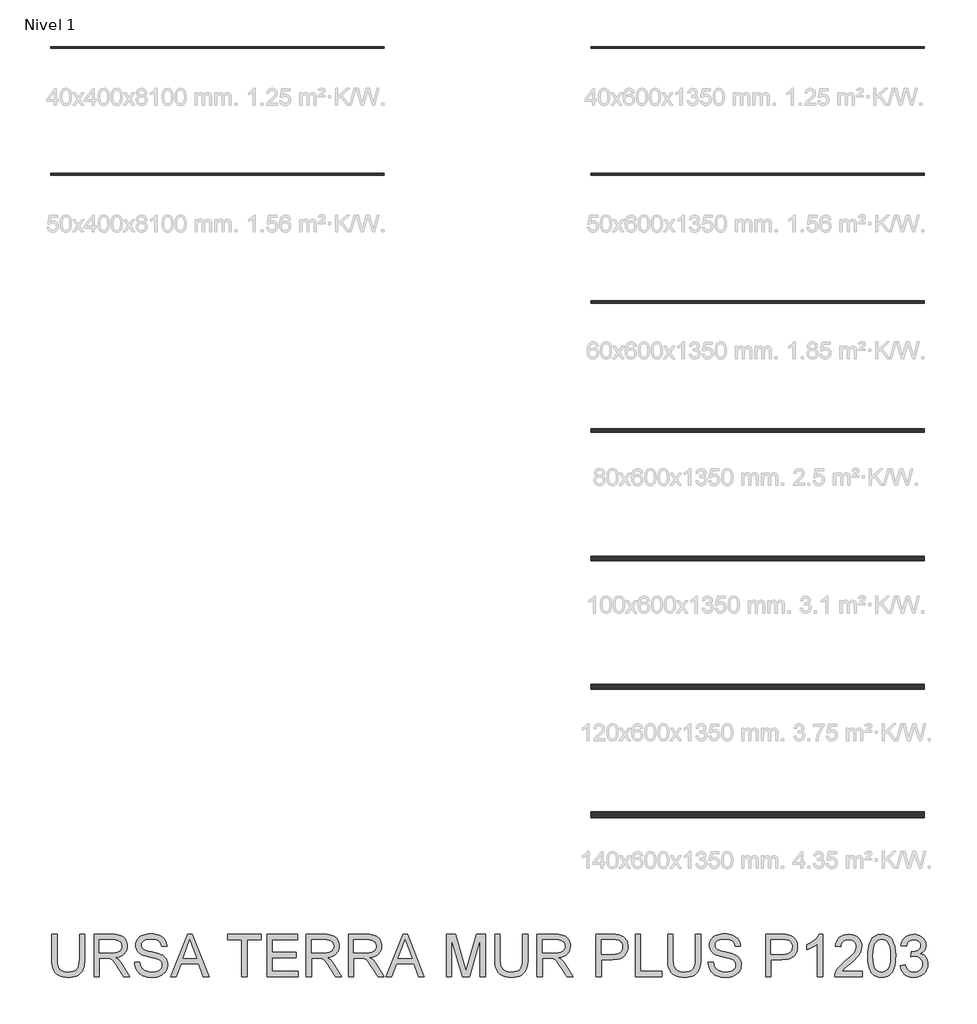
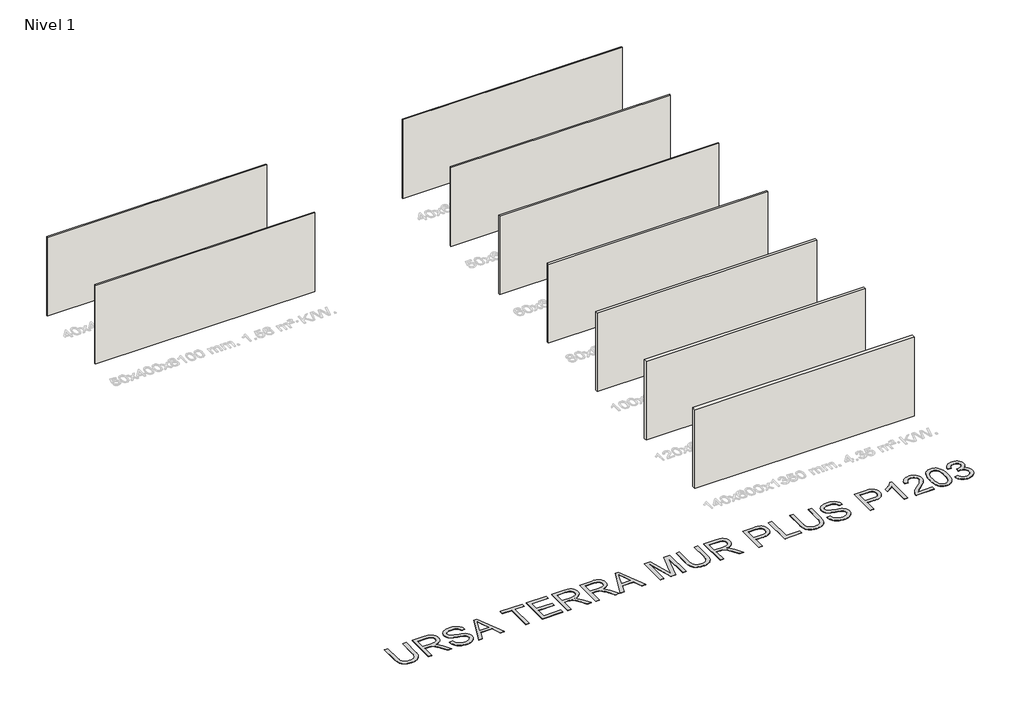
# One storey, part 1 of 10: 9 walls, 1 proxy.
"""IFC4 building model written with IfcOpenShell, lengths in millimetres."""

from ifc_helpers import new_model, si_unit, origin, origin_with_axes, place, context, project, spatial, polyline, outline, extrude, element, save

model = new_model("IFC4")

# Units and contexts
model_context = context("Model", 3, world=origin())
ifc_project = project(units=[si_unit("LENGTHUNIT", "METRE", prefix="MILLI")], contexts=[model_context])

# Site, building, storey
site = spatial("IfcSite", under=ifc_project)
building = spatial("IfcBuilding", under=site)
storey = spatial("IfcBuildingStorey", under=building, Name="Nivel 1", Elevation=0.0)

# Proxy
placement = place(None, origin())
element("IfcBuildingElementProxy", 1, Name="Texto de modelo 2", ObjectType="Texto de modelo 2", at=placement, inside=storey, context=model_context, shape_type="SweptSolid", body=[
    extrude(outline(polyline([(-12347.2277059, -17027.1799365), (-12221.6573182, -17027.1799365), (-12221.6573182, -17606.7167062), (-12223.7879681, -17678.4766879), (-12230.1799178, -17742.4345056), (-12240.8331672, -17798.5901593), (-12255.7477164, -17846.943649), (-12276.2111524, -17889.3267206), (-12303.5110622, -17927.5711196), (-12337.6474456, -17961.6768463), (-12378.6203028, -17991.6439005), (-12426.475619, -18016.0544037), (-12481.2593795, -18033.4904774), (-12542.9715842, -18043.9521217), (-12611.6122331, -18047.4393364), (-12678.559092, -18044.40431), (-12739.1140013, -18035.2992306), (-12793.2769609, -18020.1240983), (-12841.0479708, -17998.878913), (-12882.4346952, -17971.8779074), (-12917.4447984, -17939.435314), (-12946.0782804, -17901.5511327), (-12968.3351411, -17858.2253636), (-12985.0201224, -17807.9711502), (-12996.9379662, -17749.3016362), (-13004.0886725, -17682.2168215), (-13006.4722413, -17606.7167062), (-13006.4722413, -17027.1799365), (-12880.9018536, -17027.1799365), (-12880.9018536, -17602.3021222), (-12879.3536835, -17663.0103157), (-12874.7091733, -17715.1499243), (-12866.968323, -17758.7209481), (-12856.1311326, -17793.7233871), (-12841.5231517, -17822.68643), (-12822.46993, -17848.1392655), (-12798.9714676, -17870.0818937), (-12771.0277644, -17888.5143145), (-12739.1753149, -17903.106967), (-12703.9506139, -17913.5302902), (-12665.3536612, -17919.7842841), (-12623.384457, -17921.8689487), (-12554.1766566, -17917.7456047), (-12495.668091, -17905.3755726), (-12447.85876, -17884.7588525), (-12427.9663075, -17871.3579844), (-12410.7486637, -17855.8954443), (-12395.8609393, -17837.5013445), (-12382.9582447, -17815.3057975), (-12363.1079454, -17759.5103615), (-12351.1977658, -17688.5091365), (-12347.2277059, -17602.3021222), (-12347.2277059, -17027.1799365)])), origin_with_axes(), (0.0, 0.0, 1.0), 10.0),
    extrude(outline(polyline([(-12001.9091398, -18031.743038), (-12001.9091398, -17027.1799365), (-11569.0346588, -17027.1799365), (-11506.9009226, -17028.8737265), (-11452.6919778, -17033.9550965), (-11406.4078243, -17042.4240466), (-11368.0484621, -17054.2805768), (-11335.3836066, -17070.4367277), (-11306.1829732, -17091.8045403), (-11280.446562, -17118.3840144), (-11258.1743729, -17150.1751502), (-11240.2018046, -17185.4688291), (-11227.3642558, -17222.5559327), (-11219.6617265, -17261.4364611), (-11217.0942167, -17302.1104142), (-11221.3478523, -17353.705864), (-11234.108759, -17401.0706709), (-11255.3769369, -17444.2048348), (-11285.1523858, -17483.1083558), (-11323.8183164, -17516.5396321), (-11371.7579389, -17543.257062), (-11428.9712533, -17563.2606455), (-11495.4582597, -17576.5503826), (-11454.0715353, -17603.5897092), (-11424.0891527, -17630.2611539), (-11372.646987, -17691.2682514), (-11322.3084674, -17759.5103615), (-11154.7995322, -18031.743038), (-11300.726057, -18031.743038), (-11431.4467926, -17823.5218287), (-11483.7473496, -17744.0593177), (-11525.869838, -17685.6887078), (-11560.9719117, -17645.4975998), (-11592.2112245, -17620.5735947), (-11621.7950683, -17605.9502854), (-11651.930735, -17596.661265), (-11724.7713701, -17592.246681), (-11876.3387521, -17592.246681), (-11876.3387521, -18031.743038), (-12001.9091398, -18031.743038)]), holes=[polyline([(-11876.3387521, -17466.6762934), (-11595.2769078, -17466.6762934), (-11514.5574667, -17462.2310526), (-11451.925557, -17448.8953303), (-11426.7409687, -17438.6712765), (-11404.7753479, -17425.7800782), (-11386.0286946, -17410.2217355), (-11370.5010087, -17391.9962483), (-11358.3225818, -17372.0003291), (-11349.6237055, -17351.13069), (-11344.4043797, -17329.3873313), (-11342.6646044, -17306.7702528), (-11345.9832066, -17274.6572203), (-11355.9390131, -17245.5179006), (-11372.5320239, -17219.3522937), (-11395.7622391, -17196.1603996), (-11426.1661531, -17177.1684916), (-11464.2802607, -17163.602843), (-11510.1045617, -17155.4634539), (-11563.6390562, -17152.7503241), (-11876.3387521, -17152.7503241), (-11876.3387521, -17466.6762934)])]), origin_with_axes(), (0.0, 0.0, 1.0), 10.0),
    extrude(outline(polyline([(-11044.4349337, -17686.4244718), (-10918.864546, -17686.4244718), (-10913.1163898, -17722.9750809), (-10904.4558345, -17756.1074531), (-10892.8828801, -17785.8215884), (-10878.3975265, -17812.1174868), (-10860.2640098, -17835.5239788), (-10837.746566, -17856.5698946), (-10810.8451951, -17875.2552343), (-10779.5598971, -17891.5799978), (-10745.0403033, -17904.8314138), (-10708.4360447, -17914.296711), (-10669.7471216, -17919.9758893), (-10628.9735338, -17921.8689487), (-10559.014641, -17916.136121), (-10527.3001474, -17908.9700863), (-10497.7622888, -17898.9376377), (-10471.1291652, -17886.398993), (-10448.1288763, -17871.71437), (-10428.7614221, -17854.8837688), (-10413.0268026, -17835.9071892), (-10400.8483757, -17815.6047016), (-10392.1494994, -17794.7963762), (-10386.9301736, -17773.4822131), (-10385.1903983, -17751.6622123), (-10390.4020599, -17709.6316943), (-10406.0370447, -17673.3033473), (-10419.188826, -17657.1855174), (-10437.7975236, -17642.3092892), (-10461.8631375, -17628.6746628), (-10491.3856676, -17616.2816381), (-10557.6963972, -17596.5692945), (-10674.2230192, -17568.3343514), (-10794.2445201, -17536.6045293), (-10838.0454702, -17521.3144339), (-10871.0398866, -17506.4075488), (-10904.5707976, -17486.4039654), (-10933.5491689, -17464.1624331), (-10957.9750006, -17439.682952), (-10977.8482925, -17412.9655221), (-10993.2456869, -17384.2860549), (-11004.2438257, -17353.9204618), (-11010.842709, -17321.868743), (-11013.0423367, -17288.1308984), (-11010.3215428, -17250.7372264), (-11002.159161, -17214.5851562), (-10988.5551914, -17179.6746877), (-10969.509634, -17146.0058209), (-10945.2370865, -17114.9504491), (-10915.9521468, -17087.8804657), (-10881.654815, -17064.7958705), (-10842.345091, -17045.6966635), (-10799.3488828, -17030.7284649), (-10753.9920985, -17020.0368944), (-10706.274738, -17013.6219521), (-10656.1968014, -17011.483638), (-10601.5663251, -17013.7215868), (-10550.2467868, -17020.4354332), (-10502.2381864, -17031.6251772), (-10457.540524, -17047.2908189), (-10416.9815341, -17067.2944023), (-10381.388951, -17091.4979719), (-10350.7627749, -17119.9015277), (-10325.1030058, -17152.5050695), (-10304.6089129, -17188.3582356), (-10289.4797659, -17226.5106642), (-10279.7155646, -17266.9623552), (-10275.3163091, -17309.7133088), (-10400.8866968, -17309.7133088), (-10409.286669, -17269.6448281), (-10423.9406351, -17234.7880091), (-10444.8485952, -17205.1428516), (-10472.0105492, -17180.7093558), (-10505.9323348, -17161.6101489), (-10547.1197898, -17147.9678582), (-10595.5729143, -17139.7824838), (-10651.2917081, -17137.0540257), (-10708.7885983, -17139.751827), (-10757.9161731, -17147.8452309), (-10798.6744325, -17161.3342374), (-10831.0633765, -17180.2188464), (-10855.742127, -17202.9202312), (-10873.3698059, -17227.8595648), (-10883.9464133, -17255.0368472), (-10887.4719491, -17284.4520784), (-10884.9734172, -17309.759294), (-10877.4778215, -17332.7059334), (-10864.9851621, -17353.2919968), (-10847.4954389, -17371.5174839), (-10819.9656029, -17388.7772809), (-10776.6168412, -17406.2210188), (-10717.4491536, -17423.8486978), (-10642.4625403, -17441.6603177), (-10504.0162827, -17475.3215202), (-10455.3025752, -17490.5426378), (-10420.2618152, -17504.6907662), (-10381.7644972, -17526.1352208), (-10348.6781103, -17550.2468199), (-10321.0026544, -17577.0255635), (-10298.7381294, -17606.4714515), (-10281.6239525, -17638.4311999), (-10269.3995403, -17672.7515243), (-10262.064893, -17709.4324249), (-10259.6200106, -17748.4739017), (-10262.432775, -17787.7529689), (-10270.8710683, -17825.8824048), (-10284.9348904, -17862.8622095), (-10304.6242414, -17898.692383), (-10329.5942318, -17931.9857036), (-10359.4999723, -17961.3549495), (-10394.3414629, -17986.8001209), (-10434.1187037, -18008.3212176), (-10477.674399, -18025.4353946), (-10523.8512537, -18037.6598067), (-10572.6492675, -18044.994454), (-10624.0684405, -18047.4393364), (-10688.3021697, -18044.8028488), (-10747.0943111, -18036.8933859), (-10800.4448646, -18023.7109477), (-10848.3538302, -18005.2555343), (-10891.112448, -17981.4964888), (-10929.0119577, -17952.4031543), (-10962.0523594, -17917.9755309), (-10990.233653, -17878.2136186), (-11012.9350378, -17834.4050044), (-11029.5357129, -17787.8372751), (-11040.0356781, -17738.510431), (-11044.4349337, -17686.4244718)])), origin_with_axes(), (0.0, 0.0, 1.0), 10.0),
    extrude(outline(polyline([(-10188.2509036, -18031.743038), (-9787.2595288, -17027.1799365), (-9680.3284955, -17027.1799365), (-9279.3371208, -18031.743038), (-9412.0198937, -18031.743038), (-9527.0443309, -17717.8170687), (-9940.7889481, -17717.8170687), (-10055.5681306, -18031.743038), (-10188.2509036, -18031.743038)]), holes=[polyline([(-9894.6810714, -17592.246681), (-9572.906953, -17592.246681), (-9663.4059238, -17345.275235), (-9733.7940122, -17152.7503241), (-9796.3339514, -17323.6928246), (-9894.6810714, -17592.246681)])]), origin_with_axes(), (0.0, 0.0, 1.0), 10.0),
    extrude(outline(polyline([(-8501.634583, -18031.743038), (-8501.634583, -17152.7503241), (-8831.2568507, -17152.7503241), (-8831.2568507, -17027.1799365), (-8046.4419276, -17027.1799365), (-8046.4419276, -17152.7503241), (-8376.0641953, -17152.7503241), (-8376.0641953, -18031.743038), (-8501.634583, -18031.743038)])), origin_with_axes(), (0.0, 0.0, 1.0), 10.0),
    extrude(outline(polyline([(-7905.1752415, -18031.743038), (-7905.1752415, -17027.1799365), (-7183.1455123, -17027.1799365), (-7183.1455123, -17152.7503241), (-7779.6048538, -17152.7503241), (-7779.6048538, -17450.9799949), (-7214.5381092, -17450.9799949), (-7214.5381092, -17576.5503826), (-7779.6048538, -17576.5503826), (-7779.6048538, -17906.1726503), (-7167.4492138, -17906.1726503), (-7167.4492138, -18031.743038), (-7905.1752415, -18031.743038)])), origin_with_axes(), (0.0, 0.0, 1.0), 10.0),
    extrude(outline(polyline([(-6979.0936323, -18031.743038), (-6979.0936323, -17027.1799365), (-6546.2191513, -17027.1799365), (-6484.0854152, -17028.8737265), (-6429.8764703, -17033.9550965), (-6383.5923168, -17042.4240466), (-6345.2329546, -17054.2805768), (-6312.5680991, -17070.4367277), (-6283.3674657, -17091.8045403), (-6257.6310545, -17118.3840144), (-6235.3588654, -17150.1751502), (-6217.3862971, -17185.4688291), (-6204.5487483, -17222.5559327), (-6196.846219, -17261.4364611), (-6194.2787092, -17302.1104142), (-6198.5323448, -17353.705864), (-6211.2932515, -17401.0706709), (-6232.5614294, -17444.2048348), (-6262.3368784, -17483.1083558), (-6301.0028089, -17516.5396321), (-6348.9424314, -17543.257062), (-6406.1557458, -17563.2606455), (-6472.6427523, -17576.5503826), (-6431.2560278, -17603.5897092), (-6401.2736452, -17630.2611539), (-6349.8314795, -17691.2682514), (-6299.4929599, -17759.5103615), (-6131.9840247, -18031.743038), (-6277.9105495, -18031.743038), (-6408.6312851, -17823.5218287), (-6460.9318421, -17744.0593177), (-6503.0543305, -17685.6887078), (-6538.1564042, -17645.4975998), (-6569.395717, -17620.5735947), (-6598.9795608, -17605.9502854), (-6629.1152275, -17596.661265), (-6701.9558626, -17592.246681), (-6853.5232446, -17592.246681), (-6853.5232446, -18031.743038), (-6979.0936323, -18031.743038)]), holes=[polyline([(-6853.5232446, -17466.6762934), (-6572.4614003, -17466.6762934), (-6491.7419592, -17462.2310526), (-6429.1100495, -17448.8953303), (-6403.9254613, -17438.6712765), (-6381.9598405, -17425.7800782), (-6363.2131871, -17410.2217355), (-6347.6855012, -17391.9962483), (-6335.5070744, -17372.0003291), (-6326.808198, -17351.13069), (-6321.5888722, -17329.3873313), (-6319.8490969, -17306.7702528), (-6323.1676991, -17274.6572203), (-6333.1235056, -17245.5179006), (-6349.7165164, -17219.3522937), (-6372.9467316, -17196.1603996), (-6403.3506456, -17177.1684916), (-6441.4647532, -17163.602843), (-6487.2890542, -17155.4634539), (-6540.8235487, -17152.7503241), (-6853.5232446, -17152.7503241), (-6853.5232446, -17466.6762934)])]), origin_with_axes(), (0.0, 0.0, 1.0), 10.0),
    extrude(outline(polyline([(-5974.5305308, -18031.743038), (-5974.5305308, -17027.1799365), (-5541.6560498, -17027.1799365), (-5479.5223137, -17028.8737265), (-5425.3133688, -17033.9550965), (-5379.0292153, -17042.4240466), (-5340.6698531, -17054.2805768), (-5308.0049976, -17070.4367277), (-5278.8043643, -17091.8045403), (-5253.067953, -17118.3840144), (-5230.7957639, -17150.1751502), (-5212.8231956, -17185.4688291), (-5199.9856468, -17222.5559327), (-5192.2831175, -17261.4364611), (-5189.7156078, -17302.1104142), (-5193.9692433, -17353.705864), (-5206.73015, -17401.0706709), (-5227.9983279, -17444.2048348), (-5257.7737769, -17483.1083558), (-5296.4397074, -17516.5396321), (-5344.3793299, -17543.257062), (-5401.5926444, -17563.2606455), (-5468.0796508, -17576.5503826), (-5426.6929263, -17603.5897092), (-5396.7105437, -17630.2611539), (-5345.268378, -17691.2682514), (-5294.9298584, -17759.5103615), (-5127.4209232, -18031.743038), (-5273.347448, -18031.743038), (-5404.0681836, -17823.5218287), (-5456.3687406, -17744.0593177), (-5498.491229, -17685.6887078), (-5533.5933027, -17645.4975998), (-5564.8326155, -17620.5735947), (-5594.4164593, -17605.9502854), (-5624.5521261, -17596.661265), (-5697.3927611, -17592.246681), (-5848.9601431, -17592.246681), (-5848.9601431, -18031.743038), (-5974.5305308, -18031.743038)]), holes=[polyline([(-5848.9601431, -17466.6762934), (-5567.8982988, -17466.6762934), (-5487.1788577, -17462.2310526), (-5424.546948, -17448.8953303), (-5399.3623598, -17438.6712765), (-5377.396739, -17425.7800782), (-5358.6500856, -17410.2217355), (-5343.1223997, -17391.9962483), (-5330.9439729, -17372.0003291), (-5322.2450965, -17351.13069), (-5317.0257707, -17329.3873313), (-5315.2859954, -17306.7702528), (-5318.6045976, -17274.6572203), (-5328.5604041, -17245.5179006), (-5345.1534149, -17219.3522937), (-5368.3836301, -17196.1603996), (-5398.7875441, -17177.1684916), (-5436.9016517, -17163.602843), (-5482.7259527, -17155.4634539), (-5536.2604472, -17152.7503241), (-5848.9601431, -17152.7503241), (-5848.9601431, -17466.6762934)])]), origin_with_axes(), (0.0, 0.0, 1.0), 10.0),
    extrude(outline(polyline([(-5086.9539038, -18031.743038), (-4685.962529, -17027.1799365), (-4579.0314958, -17027.1799365), (-4178.040121, -18031.743038), (-4310.7228939, -18031.743038), (-4425.7473311, -17717.8170687), (-4839.4919483, -17717.8170687), (-4954.2711308, -18031.743038), (-5086.9539038, -18031.743038)]), holes=[polyline([(-4793.3840716, -17592.246681), (-4471.6099532, -17592.246681), (-4562.108924, -17345.275235), (-4632.4970124, -17152.7503241), (-4695.0369516, -17323.6928246), (-4793.3840716, -17592.246681)])]), origin_with_axes(), (0.0, 0.0, 1.0), 10.0),
    extrude(outline(polyline([(-3651.4783586, -18031.743038), (-3651.4783586, -17027.1799365), (-3435.4090001, -17027.1799365), (-3229.8855921, -17735.2301498), (-3188.437554, -17883.1187119), (-3143.5559506, -17722.9674167), (-2941.4661079, -17027.1799365), (-2725.3967494, -17027.1799365), (-2725.3967494, -18031.743038), (-2850.9671371, -18031.743038), (-2850.9671371, -17152.7503241), (-3103.3341858, -18031.743038), (-3273.5409222, -18031.743038), (-3525.9079709, -17152.7503241), (-3525.9079709, -18031.743038), (-3651.4783586, -18031.743038)])), origin_with_axes(), (0.0, 0.0, 1.0), 10.0),
    extrude(outline(polyline([(-1846.4040356, -17027.1799365), (-1720.8336479, -17027.1799365), (-1720.8336479, -17606.7167062), (-1722.9642978, -17678.4766879), (-1729.3562475, -17742.4345056), (-1740.0094969, -17798.5901593), (-1754.9240461, -17846.943649), (-1775.3874821, -17889.3267206), (-1802.6873918, -17927.5711196), (-1836.8237753, -17961.6768463), (-1877.7966325, -17991.6439005), (-1925.6519487, -18016.0544037), (-1980.4357092, -18033.4904774), (-2042.1479139, -18043.9521217), (-2110.7885628, -18047.4393364), (-2177.7354217, -18044.40431), (-2238.2903309, -18035.2992306), (-2292.4532905, -18020.1240983), (-2340.2243004, -17998.878913), (-2381.6110249, -17971.8779074), (-2416.6211281, -17939.435314), (-2445.2546101, -17901.5511327), (-2467.5114708, -17858.2253636), (-2484.1964521, -17807.9711502), (-2496.1142959, -17749.3016362), (-2503.2650022, -17682.2168215), (-2505.6485709, -17606.7167062), (-2505.6485709, -17027.1799365), (-2380.0781833, -17027.1799365), (-2380.0781833, -17602.3021222), (-2378.5300132, -17663.0103157), (-2373.885503, -17715.1499243), (-2366.1446527, -17758.7209481), (-2355.3074622, -17793.7233871), (-2340.6994814, -17822.68643), (-2321.6462597, -17848.1392655), (-2298.1477972, -17870.0818937), (-2270.204094, -17888.5143145), (-2238.3516446, -17903.106967), (-2203.1269436, -17913.5302902), (-2164.5299909, -17919.7842841), (-2122.5607866, -17921.8689487), (-2053.3529863, -17917.7456047), (-1994.8444206, -17905.3755726), (-1947.0350897, -17884.7588525), (-1927.1426372, -17871.3579844), (-1909.9249934, -17855.8954443), (-1895.0372689, -17837.5013445), (-1882.1345744, -17815.3057975), (-1862.284275, -17759.5103615), (-1850.3740955, -17688.5091365), (-1846.4040356, -17602.3021222), (-1846.4040356, -17027.1799365)])), origin_with_axes(), (0.0, 0.0, 1.0), 10.0),
    extrude(outline(polyline([(-1501.0854694, -18031.743038), (-1501.0854694, -17027.1799365), (-1068.2109885, -17027.1799365), (-1006.0772523, -17028.8737265), (-951.8683075, -17033.9550965), (-905.584154, -17042.4240466), (-867.2247918, -17054.2805768), (-834.5599363, -17070.4367277), (-805.3593029, -17091.8045403), (-779.6228917, -17118.3840144), (-757.3507025, -17150.1751502), (-739.3781342, -17185.4688291), (-726.5405854, -17222.5559327), (-718.8380562, -17261.4364611), (-716.2705464, -17302.1104142), (-720.524182, -17353.705864), (-733.2850887, -17401.0706709), (-754.5532665, -17444.2048348), (-784.3287155, -17483.1083558), (-822.994646, -17516.5396321), (-870.9342685, -17543.257062), (-928.147583, -17563.2606455), (-994.6345894, -17576.5503826), (-953.247865, -17603.5897092), (-923.2654824, -17630.2611539), (-871.8233167, -17691.2682514), (-821.484797, -17759.5103615), (-653.9758619, -18031.743038), (-799.9023866, -18031.743038), (-930.6231223, -17823.5218287), (-982.9236792, -17744.0593177), (-1025.0461677, -17685.6887078), (-1060.1482414, -17645.4975998), (-1091.3875542, -17620.5735947), (-1120.9713979, -17605.9502854), (-1151.1070647, -17596.661265), (-1223.9476997, -17592.246681), (-1375.5150818, -17592.246681), (-1375.5150818, -18031.743038), (-1501.0854694, -18031.743038)]), holes=[polyline([(-1375.5150818, -17466.6762934), (-1094.4532374, -17466.6762934), (-1013.7337963, -17462.2310526), (-951.1018867, -17448.8953303), (-925.9172984, -17438.6712765), (-903.9516776, -17425.7800782), (-885.2050243, -17410.2217355), (-869.6773384, -17391.9962483), (-857.4989115, -17372.0003291), (-848.8000352, -17351.13069), (-843.5807094, -17329.3873313), (-841.8409341, -17306.7702528), (-845.1595363, -17274.6572203), (-855.1153428, -17245.5179006), (-871.7083536, -17219.3522937), (-894.9385687, -17196.1603996), (-925.3424828, -17177.1684916), (-963.4565903, -17163.602843), (-1009.2808914, -17155.4634539), (-1062.8153859, -17152.7503241), (-1375.5150818, -17152.7503241), (-1375.5150818, -17466.6762934)])]), origin_with_axes(), (0.0, 0.0, 1.0), 10.0),
    extrude(outline(polyline([(-104.1149064, -18031.743038), (-104.1149064, -17027.1799365), (268.1816727, -17027.1799365), (354.8791962, -17029.5711694), (418.2775267, -17036.7448683), (453.2186521, -17044.278785), (485.201393, -17054.6178019), (514.2257496, -17067.761919), (540.2917218, -17083.7111364), (563.6752211, -17102.7950149), (584.652159, -17125.3431155), (603.2225356, -17151.3554382), (619.3863508, -17180.8319831), (632.4768184, -17212.7993956), (641.8271525, -17246.2843214), (647.4373529, -17281.2867604), (649.3074197, -17317.8067126), (644.2567065, -17379.4729321), (629.1045668, -17436.2034014), (603.8510007, -17487.9981207), (568.4960081, -17534.8570898), (546.2602239, -17555.6654152), (519.9585773, -17573.6992971), (489.5910683, -17588.9587357), (455.1576967, -17601.4437309), (416.6584627, -17611.1542828), (374.0933663, -17618.0903912), (276.7655859, -17623.639278), (21.4554813, -17623.639278), (21.4554813, -18031.743038), (-104.1149064, -18031.743038)]), holes=[polyline([(21.4554813, -17498.0688903), (284.1232258, -17498.0688903), (344.5171867, -17495.187148), (395.468843, -17486.5419211), (436.9781948, -17472.1332096), (469.0452421, -17451.9610136), (492.9729002, -17426.5618275), (510.0640845, -17396.4721459), (520.3187951, -17361.691969), (523.737032, -17322.2212966), (521.7213452, -17292.9133643), (515.6742849, -17265.812724), (505.5958511, -17240.9193757), (491.4860438, -17218.2333193), (474.0959553, -17198.4903189), (454.1766781, -17182.4261384), (431.7282122, -17170.0407779), (406.7505575, -17161.3342374), (358.3127615, -17154.8963024), (281.1801699, -17152.7503241), (21.4554813, -17152.7503241), (21.4554813, -17498.0688903)])]), origin_with_axes(), (0.0, 0.0, 1.0), 10.0),
    extrude(outline(polyline([(821.9667028, -18031.743038), (821.9667028, -17027.1799365), (947.5370904, -17027.1799365), (947.5370904, -17906.1726503), (1449.8186412, -17906.1726503), (1449.8186412, -18031.743038), (821.9667028, -18031.743038)])), origin_with_axes(), (0.0, 0.0, 1.0), 10.0),
    extrude(outline(polyline([(2250.3298627, -17027.1799365), (2375.9002504, -17027.1799365), (2375.9002504, -17606.7167062), (2373.7696005, -17678.4766879), (2367.3776508, -17742.4345056), (2356.7244014, -17798.5901593), (2341.8098522, -17846.943649), (2321.3464162, -17889.3267206), (2294.0465065, -17927.5711196), (2259.910123, -17961.6768463), (2218.9372658, -17991.6439005), (2171.0819496, -18016.0544037), (2116.2981891, -18033.4904774), (2054.5859844, -18043.9521217), (1985.9453355, -18047.4393364), (1918.9984766, -18044.40431), (1858.4435673, -18035.2992306), (1804.2806078, -18020.1240983), (1756.5095978, -17998.878913), (1715.1228734, -17971.8779074), (1680.1127702, -17939.435314), (1651.4792882, -17901.5511327), (1629.2224275, -17858.2253636), (1612.5374462, -17807.9711502), (1600.6196024, -17749.3016362), (1593.4688961, -17682.2168215), (1591.0853273, -17606.7167062), (1591.0853273, -17027.1799365), (1716.655715, -17027.1799365), (1716.655715, -17602.3021222), (1718.2038851, -17663.0103157), (1722.8483953, -17715.1499243), (1730.5892456, -17758.7209481), (1741.426436, -17793.7233871), (1756.0344169, -17822.68643), (1775.0876386, -17848.1392655), (1798.586101, -17870.0818937), (1826.5298043, -17888.5143145), (1858.3822537, -17903.106967), (1893.6069547, -17913.5302902), (1932.2039074, -17919.7842841), (1974.1731117, -17921.8689487), (2043.380912, -17917.7456047), (2101.8894776, -17905.3755726), (2149.6988086, -17884.7588525), (2169.5912611, -17871.3579844), (2186.8089049, -17855.8954443), (2201.6966294, -17837.5013445), (2214.5993239, -17815.3057975), (2234.4496232, -17759.5103615), (2246.3598028, -17688.5091365), (2250.3298627, -17602.3021222), (2250.3298627, -17027.1799365)])), origin_with_axes(), (0.0, 0.0, 1.0), 10.0),
    extrude(outline(polyline([(2548.5595335, -17686.4244718), (2674.1299211, -17686.4244718), (2679.8780773, -17722.9750809), (2688.5386326, -17756.1074531), (2700.1115871, -17785.8215884), (2714.5969406, -17812.1174868), (2732.7304573, -17835.5239788), (2755.2479011, -17856.5698946), (2782.149272, -17875.2552343), (2813.43457, -17891.5799978), (2847.9541639, -17904.8314138), (2884.5584224, -17914.296711), (2923.2473455, -17919.9758893), (2964.0209333, -17921.8689487), (3033.9798261, -17916.136121), (3065.6943198, -17908.9700863), (3095.2321783, -17898.9376377), (3121.8653019, -17886.398993), (3144.8655908, -17871.71437), (3164.233045, -17854.8837688), (3179.9676645, -17835.9071892), (3192.1460914, -17815.6047016), (3200.8449677, -17794.7963762), (3206.0642935, -17773.4822131), (3207.8040688, -17751.6622123), (3202.5924072, -17709.6316943), (3186.9574224, -17673.3033473), (3173.8056411, -17657.1855174), (3155.1969435, -17642.3092892), (3131.1313297, -17628.6746628), (3101.6087995, -17616.2816381), (3035.2980699, -17596.5692945), (2918.7714479, -17568.3343514), (2798.749947, -17536.6045293), (2754.948997, -17521.3144339), (2721.9545805, -17506.4075488), (2688.4236695, -17486.4039654), (2659.4452982, -17464.1624331), (2635.0194665, -17439.682952), (2615.1461746, -17412.9655221), (2599.7487802, -17384.2860549), (2588.7506414, -17353.9204618), (2582.1517581, -17321.868743), (2579.9521304, -17288.1308984), (2582.6729243, -17250.7372264), (2590.8353061, -17214.5851562), (2604.4392757, -17179.6746877), (2623.4848331, -17146.0058209), (2647.7573806, -17114.9504491), (2677.0423203, -17087.8804657), (2711.3396521, -17064.7958705), (2750.6493761, -17045.6966635), (2793.6455843, -17030.7284649), (2839.0023687, -17020.0368944), (2886.7197291, -17013.6219521), (2936.7976657, -17011.483638), (2991.428142, -17013.7215868), (3042.7476803, -17020.4354332), (3090.7562807, -17031.6251772), (3135.4539431, -17047.2908189), (3176.0129331, -17067.2944023), (3211.6055161, -17091.4979719), (3242.2316922, -17119.9015277), (3267.8914614, -17152.5050695), (3288.3855542, -17188.3582356), (3303.5147012, -17226.5106642), (3313.2789025, -17266.9623552), (3317.678158, -17309.7133088), (3192.1077704, -17309.7133088), (3183.7077981, -17269.6448281), (3169.053832, -17234.7880091), (3148.1458719, -17205.1428516), (3120.983918, -17180.7093558), (3087.0621323, -17161.6101489), (3045.8746773, -17147.9678582), (2997.4215528, -17139.7824838), (2941.702759, -17137.0540257), (2884.2058688, -17139.751827), (2835.078294, -17147.8452309), (2794.3200347, -17161.3342374), (2761.9310907, -17180.2188464), (2737.2523402, -17202.9202312), (2719.6246612, -17227.8595648), (2709.0480539, -17255.0368472), (2705.5225181, -17284.4520784), (2708.02105, -17309.759294), (2715.5166456, -17332.7059334), (2728.009305, -17353.2919968), (2745.4990282, -17371.5174839), (2773.0288642, -17388.7772809), (2816.3776259, -17406.2210188), (2875.5453135, -17423.8486978), (2950.5319269, -17441.6603177), (3088.9781844, -17475.3215202), (3137.6918919, -17490.5426378), (3172.7326519, -17504.6907662), (3211.2299699, -17526.1352208), (3244.3163568, -17550.2468199), (3271.9918128, -17577.0255635), (3294.2563377, -17606.4714515), (3311.3705147, -17638.4311999), (3323.5949268, -17672.7515243), (3330.9295741, -17709.4324249), (3333.3744565, -17748.4739017), (3330.5616921, -17787.7529689), (3322.1233988, -17825.8824048), (3308.0595767, -17862.8622095), (3288.3702258, -17898.692383), (3263.4002353, -17931.9857036), (3233.4944948, -17961.3549495), (3198.6530042, -17986.8001209), (3158.8757635, -18008.3212176), (3115.3200681, -18025.4353946), (3069.1432135, -18037.6598067), (3020.3451996, -18044.994454), (2968.9260266, -18047.4393364), (2904.6922974, -18044.8028488), (2845.9001561, -18036.8933859), (2792.5496026, -18023.7109477), (2744.6406369, -18005.2555343), (2701.8820192, -17981.4964888), (2663.9825094, -17952.4031543), (2630.9421078, -17917.9755309), (2602.7608141, -17878.2136186), (2580.0594293, -17834.4050044), (2563.4587543, -17787.8372751), (2552.958789, -17738.510431), (2548.5595335, -17686.4244718)])), origin_with_axes(), (0.0, 0.0, 1.0), 10.0),
    extrude(outline(polyline([(3914.1374996, -18031.743038), (3914.1374996, -17027.1799365), (4286.4340787, -17027.1799365), (4373.1316022, -17029.5711694), (4436.5299327, -17036.7448683), (4471.471058, -17044.278785), (4503.453799, -17054.6178019), (4532.4781556, -17067.761919), (4558.5441278, -17083.7111364), (4581.9276271, -17102.7950149), (4602.904565, -17125.3431155), (4621.4749416, -17151.3554382), (4637.6387567, -17180.8319831), (4650.7292244, -17212.7993956), (4660.0795584, -17246.2843214), (4665.6897589, -17281.2867604), (4667.5598257, -17317.8067126), (4662.5091125, -17379.4729321), (4647.3569728, -17436.2034014), (4622.1034066, -17487.9981207), (4586.7484141, -17534.8570898), (4564.5126299, -17555.6654152), (4538.2109833, -17573.6992971), (4507.8434743, -17588.9587357), (4473.4101027, -17601.4437309), (4434.9108687, -17611.1542828), (4392.3457722, -17618.0903912), (4295.0179919, -17623.639278), (4039.7078872, -17623.639278), (4039.7078872, -18031.743038), (3914.1374996, -18031.743038)]), holes=[polyline([(4039.7078872, -17498.0688903), (4302.3756318, -17498.0688903), (4362.7695927, -17495.187148), (4413.721249, -17486.5419211), (4455.2306008, -17472.1332096), (4487.297648, -17451.9610136), (4511.2253061, -17426.5618275), (4528.3164905, -17396.4721459), (4538.5712011, -17361.691969), (4541.989438, -17322.2212966), (4539.9737512, -17292.9133643), (4533.9266909, -17265.812724), (4523.8482571, -17240.9193757), (4509.7384497, -17218.2333193), (4492.3483613, -17198.4903189), (4472.4290841, -17182.4261384), (4449.9806182, -17170.0407779), (4425.0029635, -17161.3342374), (4376.5651675, -17154.8963024), (4299.4325758, -17152.7503241), (4039.7078872, -17152.7503241), (4039.7078872, -17498.0688903)])]), origin_with_axes(), (0.0, 0.0, 1.0), 10.0),
    extrude(outline(polyline([(5264.0191672, -18031.743038), (5138.4487795, -18031.743038), (5138.4487795, -17248.8901522), (5086.0255952, -17291.2885522), (5019.5002677, -17333.6256384), (4949.6640023, -17370.6284358), (4887.3080041, -17397.0239689), (4887.3080041, -17278.3207118), (4938.2673247, -17252.7682416), (4985.9310357, -17224.6712542), (5030.2991371, -17194.0297497), (5071.371629, -17160.843728), (5107.9222381, -17126.6460309), (5138.724691, -17092.9694999), (5163.7789877, -17059.8141351), (5183.0851283, -17027.1799365), (5264.0191672, -17027.1799365), (5264.0191672, -18031.743038)])), origin_with_axes(), (0.0, 0.0, 1.0), 10.0),
    extrude(outline(polyline([(6205.7970748, -17906.1726503), (6205.7970748, -18031.743038), (5546.5525395, -18031.743038), (5549.3116544, -17987.5358849), (5560.041546, -17945.1681418), (5573.7298219, -17911.0854077), (5591.0049472, -17877.5085115), (5611.866922, -17844.4374529), (5636.3157463, -17811.8722322), (5665.822948, -17778.5405906), (5701.8600551, -17743.1702696), (5793.5239856, -17666.3135894), (5929.0271871, -17545.9548633), (5976.4533077, -17497.5937094), (6010.3291081, -17457.1113615), (6034.0421683, -17420.8136713), (6050.9800685, -17385.0064904), (6061.1428087, -17349.6898189), (6064.5303887, -17314.8636567), (6061.3344139, -17282.0991665), (6051.7464894, -17251.9864923), (6035.7666152, -17224.5256342), (6013.3947914, -17199.7165922), (5985.8726196, -17179.1688499), (5954.4417016, -17164.4918912), (5919.1020375, -17155.6857159), (5879.8536271, -17152.7503241), (5838.5052237, -17155.616738), (5801.525419, -17164.2159797), (5768.9142129, -17178.5480491), (5740.6716056, -17198.6129462), (5717.8246009, -17223.7362208), (5701.4002026, -17253.2434225), (5691.3984109, -17287.1345513), (5687.8192256, -17325.4096072), (5562.2488379, -17309.7133088), (5573.0477073, -17244.8894355), (5592.691073, -17188.2509367), (5621.178935, -17139.7978122), (5658.5112934, -17099.5300622), (5703.8297566, -17067.8768822), (5756.2759336, -17045.2674679), (5815.8498242, -17031.7018193), (5882.5514284, -17027.1799365), (5949.8508409, -17032.2076571), (6009.7466282, -17047.2908189), (6062.2387904, -17072.4294219), (6107.3273275, -17107.6234661), (6143.5407114, -17150.2671207), (6169.4074142, -17197.7545549), (6184.9274358, -17250.0857687), (6190.1007764, -17307.2607621), (6184.5212328, -17367.3174978), (6167.782602, -17426.3319012), (6138.0761309, -17486.3579801), (6093.5930663, -17549.4497423), (6062.8979123, -17584.4368529), (6022.6838117, -17624.7735808), (5913.6987707, -17721.4958887), (5769.2437739, -17842.2838104), (5737.9124906, -17874.1362599), (5712.5899466, -17906.1726503), (6205.7970748, -17906.1726503)])), origin_with_axes(), (0.0, 0.0, 1.0), 10.0),
    extrude(outline(polyline([(6331.3674625, -17537.5548911), (6333.6743892, -17453.0876522), (6340.5951692, -17376.7598024), (6352.1298026, -17308.5713417), (6368.2782894, -17248.5222702), (6388.9716516, -17196.1220785), (6414.1409114, -17150.8802573), (6443.7860689, -17112.7968066), (6477.9071239, -17081.8717264), (6516.6190397, -17057.9440683), (6560.0367794, -17040.8528839), (6608.1603429, -17030.5981733), (6660.9897302, -17027.1799365), (6700.6903289, -17029.2032874), (6738.3675765, -17035.2733403), (6774.0214732, -17045.3900952), (6807.652019, -17059.553552), (6838.4468076, -17077.5261203), (6865.5934332, -17099.0702097), (6889.0918956, -17124.1858201), (6908.942195, -17152.8729515), (6941.6836925, -17220.5019249), (6967.8033142, -17301.4972775), (6977.7821133, -17349.1303317), (6984.909827, -17404.350952), (6990.6119979, -17537.5548911), (6988.3280638, -17621.4856355), (6981.4762617, -17697.4302748), (6970.0565914, -17765.3888092), (6954.069053, -17825.3612387), (6933.5366392, -17877.784423), (6908.4823425, -17923.095222), (6878.9061629, -17961.2936359), (6844.8081005, -17992.3796645), (6806.0501994, -18016.4682709), (6762.494504, -18033.6744184), (6714.1410143, -18043.9981069), (6660.9897302, -18047.4393364), (6591.8279151, -18041.461254), (6560.1900635, -18033.988651), (6530.5142493, -18023.5270067), (6502.8004723, -18010.0763213), (6477.0487326, -17993.6365946), (6453.2590303, -17974.2078267), (6431.4313652, -17951.7900177), (6407.978888, -17916.2932372), (6387.6534078, -17876.1442824), (6370.4549245, -17831.3431532), (6356.3834382, -17781.8898496), (6345.4389488, -17727.7843715), (6337.6214564, -17669.0267191), (6332.930961, -17605.6168923), (6331.3674625, -17537.5548911)]), holes=[polyline([(6456.9378502, -17537.3096364), (6460.6166702, -17646.4709543), (6471.65313, -17734.831611), (6490.0472298, -17802.3916066), (6502.0033946, -17828.3713564), (6515.7989694, -17849.150941), (6546.9463117, -17880.9650694), (6581.5272192, -17903.6894468), (6619.5416921, -17917.3240732), (6660.9897302, -17921.8689487), (6702.4377683, -17917.3087448), (6740.4522412, -17903.6281331), (6775.0331487, -17880.8271136), (6806.180491, -17848.9056863), (6819.9760658, -17828.0762844), (6831.9322306, -17802.0697098), (6850.3263304, -17734.5250427), (6861.3627902, -17646.2716849), (6865.0416102, -17537.3096364), (6861.4854176, -17431.0377251), (6850.8168397, -17344.2329026), (6833.0358766, -17276.8951691), (6821.4782506, -17250.5264607), (6808.1425283, -17229.0245245), (6777.5163522, -17195.6545618), (6742.5369058, -17171.8188742), (6703.2041892, -17157.5174617), (6659.5182022, -17152.7503241), (6618.2847619, -17156.9503103), (6580.9140826, -17169.5502686), (6547.4061642, -17190.5501991), (6517.7610068, -17219.9501019), (6503.5055794, -17243.7398043), (6491.1508758, -17272.0667179), (6472.1436394, -17342.332179), (6460.7392975, -17430.7464852), (6456.9378502, -17537.3096364)])]), origin_with_axes(), (0.0, 0.0, 1.0), 10.0),
    extrude(outline(polyline([(7100.4860871, -17764.9059641), (7226.0564748, -17749.2096657), (7238.4801563, -17791.8686487), (7254.1687906, -17828.1203536), (7273.1223776, -17857.9647805), (7295.3409172, -17881.4019293), (7321.3302473, -17899.1062503), (7351.5962057, -17911.7521939), (7386.1387922, -17919.33976), (7424.9580069, -17921.8689487), (7470.4527469, -17918.3893982), (7511.0423937, -17907.9507466), (7546.7269473, -17890.5529939), (7577.5064075, -17866.1961401), (7602.292457, -17836.7042668), (7619.996778, -17803.9014556), (7630.6193706, -17767.7877064), (7634.1602348, -17728.3630193), (7630.6500274, -17690.8160631), (7620.1194053, -17656.656687), (7602.5683684, -17625.884891), (7577.9969169, -17598.500675), (7548.0145342, -17576.0215522), (7514.2307044, -17559.965036), (7476.6454272, -17550.3311262), (7435.2587027, -17547.119823), (7395.5887609, -17550.5533883), (7347.2122785, -17560.8540841), (7361.1917944, -17435.2836964), (7381.3026768, -17436.7552244), (7419.9149578, -17434.5019472), (7456.5345448, -17427.7421155), (7491.1614376, -17416.4757294), (7523.7956362, -17400.7027889), (7551.4787564, -17380.2546813), (7571.2524136, -17354.9627942), (7583.116608, -17324.8271274), (7587.0713394, -17289.847681), (7584.2049255, -17261.4517895), (7575.6056839, -17235.6157436), (7561.2736145, -17212.3395432), (7541.2087173, -17191.6231883), (7516.6219373, -17174.6163102), (7488.7242194, -17162.4685402), (7457.5155634, -17155.1798782), (7422.9959696, -17152.7503241), (7388.5683462, -17155.2028708), (7357.1450924, -17162.5605107), (7328.7262083, -17174.8232439), (7303.3116938, -17191.9910703), (7281.530014, -17214.06399), (7264.009634, -17241.042003), (7250.7505537, -17272.9251092), (7241.7527733, -17309.7133088), (7116.1823856, -17294.0170103), (7131.066278, -17234.0675735), (7153.1545261, -17181.2611788), (7182.44713, -17135.5978261), (7218.9440896, -17097.0775155), (7261.4957737, -17066.4973247), (7308.952551, -17044.6543312), (7361.3144217, -17031.5485351), (7418.5813856, -17027.1799365), (7458.8567999, -17029.333579), (7497.5227304, -17035.7945065), (7534.5791772, -17046.5627191), (7570.0261403, -17061.6382167), (7602.6296821, -17080.4461837), (7631.1558652, -17102.4118045), (7655.6046894, -17127.5350791), (7675.9761549, -17155.8160074), (7692.0173427, -17186.127951), (7703.475334, -17217.3442711), (7710.3501288, -17249.4649678), (7712.6417271, -17282.4900411), (7710.4650919, -17313.5454129), (7703.9351865, -17343.1905703), (7693.0520108, -17371.4255134), (7677.8155649, -17398.2502423), (7658.3178191, -17423.0362917), (7634.6507441, -17445.1551966), (7606.8143398, -17464.6069571), (7574.8086062, -17481.3915732), (7616.6551832, -17494.4820408), (7653.4127259, -17513.1520521), (7685.0812343, -17537.4016069), (7711.6607084, -17567.2307054), (7732.6912958, -17601.9035834), (7747.713144, -17640.6844771), (7756.7262528, -17683.5733863), (7759.7306225, -17730.5703112), (7753.7218832, -17794.2752101), (7746.2109591, -17824.2422643), (7735.6956655, -17852.9523883), (7722.1760021, -17880.4055822), (7705.6519692, -17906.6018459), (7663.5907944, -17955.223583), (7638.7625918, -17976.8366502), (7612.3478982, -17995.5679751), (7584.3467134, -18011.4175577), (7554.7590375, -18024.385398), (7523.5848705, -18034.4714961), (7490.8242124, -18041.6758518), (7420.5434229, -18047.4393364), (7357.0224651, -18042.5189147), (7299.1423645, -18027.7576497), (7246.9031212, -18003.1555412), (7200.3047351, -17968.7125894), (7161.2326016, -17926.4521452), (7131.5721157, -17878.3975596), (7111.3232776, -17824.5488326), (7100.4860871, -17764.9059641)])), origin_with_axes(), (0.0, 0.0, 1.0), 10.0),
])

# Walls
element("IfcWall", 2, at=placement, inside=storey, context=model_context, shape_type="SweptSolid", body=[
    extrude(outline(polyline([(7668.7582768, 950.3831431), (-231.2417232, 950.3831431), (-231.2417232, 1000.3831431), (7668.7582768, 1000.3831431), (7668.7582768, 950.3831431)])), origin_with_axes(), (0.0, 0.0, 1.0), 3000.0),
])
element("IfcWall", 3, at=placement, inside=storey, context=model_context, shape_type="SweptSolid", body=[
    extrude(outline(polyline([(-5131.2417232, 3960.3831431), (-13031.2417232, 3960.3831431), (-13031.2417232, 4000.3831431), (-5131.2417232, 4000.3831431), (-5131.2417232, 3960.3831431)])), origin_with_axes(), (0.0, 0.0, 1.0), 3000.0),
])
element("IfcWall", 4, at=placement, inside=storey, context=model_context, shape_type="SweptSolid", body=[
    extrude(outline(polyline([(7668.7582768, -2084.6168569), (-231.2417232, -2084.6168569), (-231.2417232, -2024.6168569), (7668.7582768, -2024.6168569), (7668.7582768, -2084.6168569)])), origin_with_axes(), (0.0, 0.0, 1.0), 3000.0),
])
element("IfcWall", 5, at=placement, inside=storey, context=model_context, shape_type="SweptSolid", body=[
    extrude(outline(polyline([(7668.7582768, -5129.6168569), (-231.2417232, -5129.6168569), (-231.2417232, -5049.6168569), (7668.7582768, -5049.6168569), (7668.7582768, -5129.6168569)])), origin_with_axes(), (0.0, 0.0, 1.0), 3000.0),
])
element("IfcWall", 6, at=placement, inside=storey, context=model_context, shape_type="SweptSolid", body=[
    extrude(outline(polyline([(7668.7582768, -8174.6168569), (-231.2417232, -8174.6168569), (-231.2417232, -8074.6168569), (7668.7582768, -8074.6168569), (7668.7582768, -8174.6168569)])), origin_with_axes(), (0.0, 0.0, 1.0), 3000.0),
])
element("IfcWall", 7, at=placement, inside=storey, context=model_context, shape_type="SweptSolid", body=[
    extrude(outline(polyline([(7668.7582768, -11219.6168569), (-231.2417232, -11219.6168569), (-231.2417232, -11099.6168569), (7668.7582768, -11099.6168569), (7668.7582768, -11219.6168569)])), origin_with_axes(), (0.0, 0.0, 1.0), 3000.0),
])
element("IfcWall", 8, at=placement, inside=storey, context=model_context, shape_type="SweptSolid", body=[
    extrude(outline(polyline([(7668.7582768, -14264.6168569), (-231.2417232, -14264.6168569), (-231.2417232, -14124.6168569), (7668.7582768, -14124.6168569), (7668.7582768, -14264.6168569)])), origin_with_axes(), (0.0, 0.0, 1.0), 3000.0),
])
element("IfcWall", 9, at=placement, inside=storey, context=model_context, shape_type="SweptSolid", body=[
    extrude(outline(polyline([(7668.7582768, 3960.3831431), (-231.2417232, 3960.3831431), (-231.2417232, 4000.3831431), (7668.7582768, 4000.3831431), (7668.7582768, 3960.3831431)])), origin_with_axes(), (0.0, 0.0, 1.0), 3000.0),
])
element("IfcWall", 10, at=placement, inside=storey, context=model_context, shape_type="SweptSolid", body=[
    extrude(outline(polyline([(-5131.2417232, 950.3831431), (-13031.2417232, 950.3831431), (-13031.2417232, 1000.3831431), (-5131.2417232, 1000.3831431), (-5131.2417232, 950.3831431)])), origin_with_axes(), (0.0, 0.0, 1.0), 3000.0),
])

save(model, "model.ifc")
